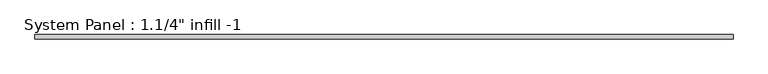
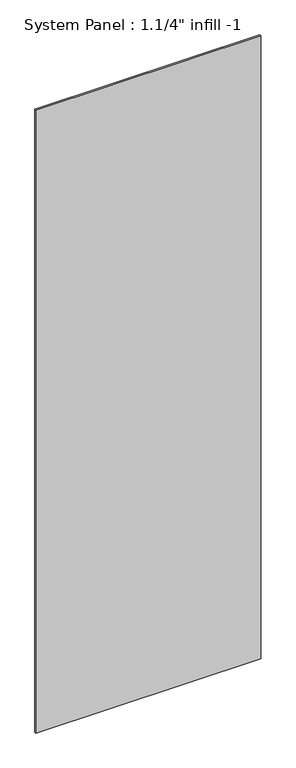
"""IFC4 building model written with IfcOpenShell, lengths in millimetres: plate geometry."""

from ifc_helpers import new_model, si_unit, origin, origin_with_axes, place, context, project, spatial, polyline, outline, extrude, source, transform, mapped, element, save


def plate_b5377dc1(model_context):
    return source(origin(), model_context, "Body", "SweptSolid", [
        extrude(outline(polyline([(520.7, 0.0), (-520.7, 0.0), (-520.7, 6.35), (520.7, 6.35), (520.7, 0.0)])), origin_with_axes(), (0.0, 0.0, 1.0), 3048.0),
    ])


if __name__ == "__main__":
    model = new_model("IFC4")
    model_context = context("Model", 3, world=origin())
    ifc_project = project(units=[si_unit("LENGTHUNIT", "METRE", prefix="MILLI")], contexts=[model_context])
    site = spatial("IfcSite", under=ifc_project)
    building = spatial("IfcBuilding", under=site)
    placement = place(None, origin())
    plate_shape = plate_b5377dc1(model_context)
    element("IfcPlate", 1, ObjectType="System Panel : 1.1/4\" infill -1", at=placement, inside=building, context=model_context, shape_type="MappedRepresentation", body=[
        mapped(plate_shape, transform((0.0, 0.0, 0.0), x_axis=(1.0, 0.0, 0.0), y_axis=(0.0, 1.0, 0.0), z_axis=(0.0, 0.0, 1.0))),
    ])
    save(model, "model.ifc")
